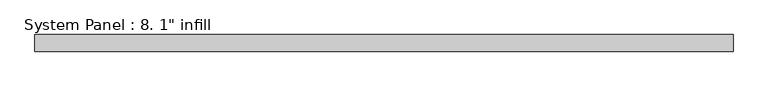
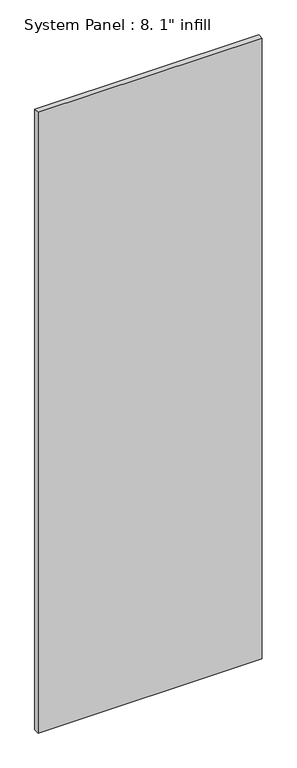
"""IFC4 building model written with IfcOpenShell, lengths in millimetres: plate geometry."""

from ifc_helpers import new_model, si_unit, origin, origin_with_axes, place, context, project, spatial, polyline, outline, extrude, source, transform, mapped, element, save


def plate_82860902(model_context):
    return source(origin(), model_context, "Body", "SweptSolid", [
        extrude(outline(polyline([(520.7, -25.4), (-520.7, -25.4), (-520.7, 0.0), (520.7, 0.0), (520.7, -25.4)])), origin_with_axes(), (0.0, 0.0, 1.0), 3048.0),
    ])


if __name__ == "__main__":
    model = new_model("IFC4")
    model_context = context("Model", 3, world=origin())
    ifc_project = project(units=[si_unit("LENGTHUNIT", "METRE", prefix="MILLI")], contexts=[model_context])
    site = spatial("IfcSite", under=ifc_project)
    building = spatial("IfcBuilding", under=site)
    placement = place(None, origin())
    plate_shape = plate_82860902(model_context)
    element("IfcPlate", 1, ObjectType="System Panel : 8. 1\" infill", at=placement, inside=building, context=model_context, shape_type="MappedRepresentation", body=[
        mapped(plate_shape, transform((0.0, 0.0, 0.0), x_axis=(1.0, 0.0, 0.0), y_axis=(0.0, 1.0, 0.0), z_axis=(0.0, 0.0, 1.0))),
    ])
    save(model, "model.ifc")
